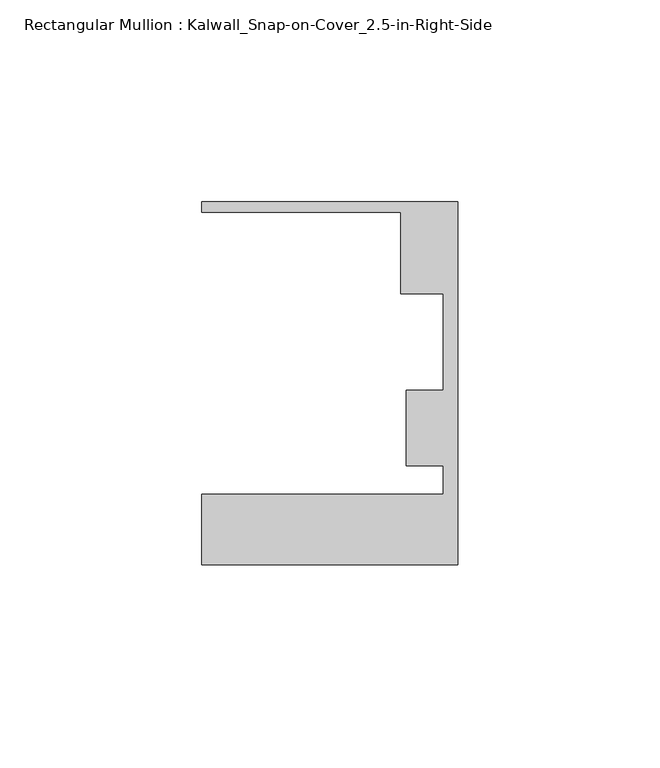
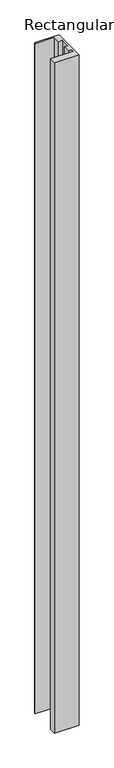
"""IFC4 building model written with IfcOpenShell, lengths in millimetres: member geometry, Rectangular Mullion : Kalwall_Snap-on-Cover_2.5-in-Right-Side."""

from ifc_helpers import new_model, si_unit, frame, origin, place, context, project, spatial, polyline, outline, extrude, source, transform, mapped, element, save


def rectangular_mullion_kalwall_snap_on_cover_2_5_in_right_side_c005d1df(model_context):
    return source(origin(), model_context, "Body", "SweptSolid", [
        extrude(outline(polyline([(0.0, -52.5001386), (-63.5, -52.5001386), (-63.5, -35.0376386), (-3.7084, -35.0376386), (-3.7084, -27.8888568), (-12.8272539, -27.8888568), (-12.8272539, -9.1879886), (-3.7084, -9.1879886), (-3.7084, 14.7439614), (-14.1732, 14.7439614), (-14.1732, 34.9623614), (-63.5, 34.9623614), (-63.5, 37.5023614), (0.0, 37.5023614), (0.0, -52.5001386)])), frame((0.0, 0.0, -1849.225), z_axis=(0.0, 0.0, 1.0), x_axis=(1.0, 0.0, 0.0)), (0.0, 0.0, 1.0), 1849.225),
    ])


if __name__ == "__main__":
    model = new_model("IFC4")
    model_context = context("Model", 3, world=origin())
    ifc_project = project(units=[si_unit("LENGTHUNIT", "METRE", prefix="MILLI")], contexts=[model_context])
    site = spatial("IfcSite", under=ifc_project)
    building = spatial("IfcBuilding", under=site)
    placement = place(None, origin())
    rectangular_mullion_kalwall_snap_on_cover_2_5_in_right_side_shape = rectangular_mullion_kalwall_snap_on_cover_2_5_in_right_side_c005d1df(model_context)
    element("IfcMember", 1, ObjectType="Rectangular Mullion : Kalwall_Snap-on-Cover_2.5-in-Right-Side", at=placement, inside=building, context=model_context, shape_type="MappedRepresentation", body=[
        mapped(rectangular_mullion_kalwall_snap_on_cover_2_5_in_right_side_shape, transform((0.0, 0.0, 0.0), x_axis=(1.0, 0.0, 0.0), y_axis=(0.0, 1.0, 0.0), z_axis=(0.0, 0.0, 1.0))),
    ])
    save(model, "model.ifc")
